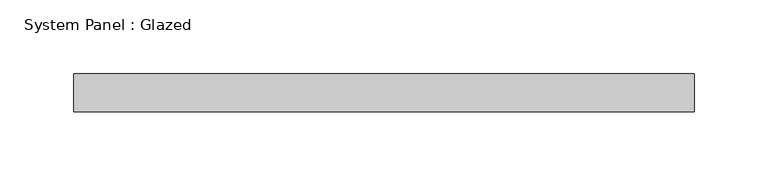
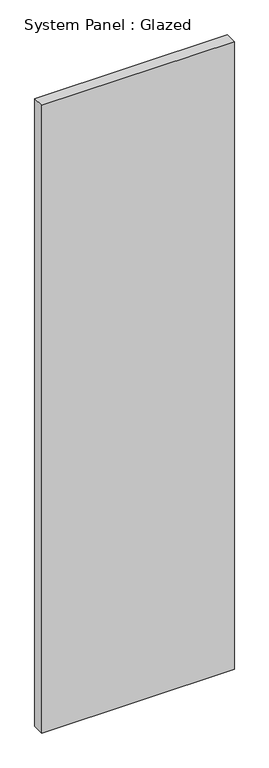
"""IFC4 building model written with IfcOpenShell, lengths in millimetres: plate geometry, System Panel : Glazed."""

from ifc_helpers import new_model, si_unit, origin, origin_with_axes, place, context, project, spatial, polyline, outline, extrude, source, transform, mapped, element, save


def system_panel_glazed_a863ea8a(model_context):
    return source(origin(), model_context, "Body", "SweptSolid", [
        extrude(outline(polyline([(209.55, 0.0), (-209.55, 0.0), (-209.55, 25.4), (209.55, 25.4), (209.55, 0.0)])), origin_with_axes(), (0.0, 0.0, 1.0), 1441.45),
    ])


if __name__ == "__main__":
    model = new_model("IFC4")
    model_context = context("Model", 3, world=origin())
    ifc_project = project(units=[si_unit("LENGTHUNIT", "METRE", prefix="MILLI")], contexts=[model_context])
    site = spatial("IfcSite", under=ifc_project)
    building = spatial("IfcBuilding", under=site)
    placement = place(None, origin())
    system_panel_glazed_shape = system_panel_glazed_a863ea8a(model_context)
    element("IfcPlate", 1, ObjectType="System Panel : Glazed", at=placement, inside=building, context=model_context, shape_type="MappedRepresentation", body=[
        mapped(system_panel_glazed_shape, transform((0.0, 0.0, 0.0), x_axis=(1.0, 0.0, 0.0), y_axis=(0.0, 1.0, 0.0), z_axis=(0.0, 0.0, 1.0))),
    ])
    save(model, "model.ifc")
